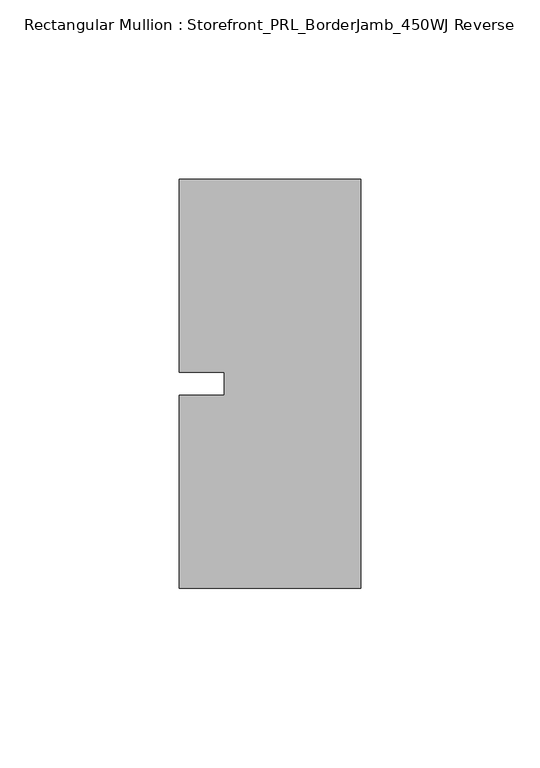
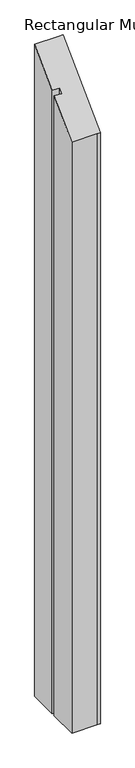
"""IFC4 building model written with IfcOpenShell, lengths in millimetres: member geometry, Rectangular Mullion : Storefront_PRL_BorderJamb_450WJ Reverse."""

from ifc_helpers import new_model, si_unit, origin, place, context, project, spatial, faceted_brep, source, transform, mapped, element, save


def rectangular_mullion_storefront_prl_borderjamb_450wj_reverse_ef350bbd(model_context):
    return source(origin(), model_context, "Body", "Brep", [
        faceted_brep([(-38.1, -3.175, -1168.4), (-38.1, 3.175, -1168.4), (-50.8, 3.175, -1168.4), (-50.8, 57.15, -1168.4), (-7.3958824, 57.15, -1168.4), (0.0, 57.15, -1168.4), (0.0, -57.15, -1168.4), (-6.35, -57.15, -1168.4), (-50.8, -57.15, -1168.4), (-50.8, -3.175, -1168.4), (-50.8, -3.175, -3.175), (-38.1, -3.175, -3.175), (-50.8, -57.15, -57.15), (-6.35, -57.15, -57.15), (0.0, -57.15, -57.15), (0.0, 57.15, 57.15), (-7.3958824, 57.15, 57.15), (-50.8, 57.15, 57.15), (-50.8, 3.175, 3.175), (-38.1, 3.175, 3.175)], [[[0, 1, 2, 3, 4, 5, 6, 7, 8, 9]], [[10, 11, 0, 9]], [[12, 10, 9, 8]], [[13, 12, 8, 7]], [[14, 13, 7, 6]], [[15, 14, 6, 5]], [[16, 15, 5, 4]], [[17, 16, 4, 3]], [[18, 17, 3, 2]], [[19, 18, 2, 1]], [[11, 19, 1, 0]], [[11, 10, 12, 13, 14, 15, 16, 17, 18, 19]]]),
    ])


if __name__ == "__main__":
    model = new_model("IFC4")
    model_context = context("Model", 3, world=origin())
    ifc_project = project(units=[si_unit("LENGTHUNIT", "METRE", prefix="MILLI")], contexts=[model_context])
    site = spatial("IfcSite", under=ifc_project)
    building = spatial("IfcBuilding", under=site)
    placement = place(None, origin())
    rectangular_mullion_storefront_prl_borderjamb_450wj_reverse_shape = rectangular_mullion_storefront_prl_borderjamb_450wj_reverse_ef350bbd(model_context)
    element("IfcMember", 1, ObjectType="Rectangular Mullion : Storefront_PRL_BorderJamb_450WJ Reverse", at=placement, inside=building, context=model_context, shape_type="MappedRepresentation", body=[
        mapped(rectangular_mullion_storefront_prl_borderjamb_450wj_reverse_shape, transform((0.0, 0.0, 0.0), x_axis=(1.0, 0.0, 0.0), y_axis=(0.0, 1.0, 0.0), z_axis=(0.0, 0.0, 1.0))),
    ])
    save(model, "model.ifc")
